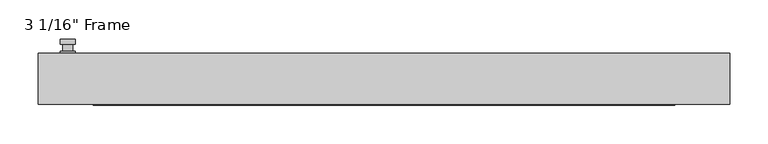
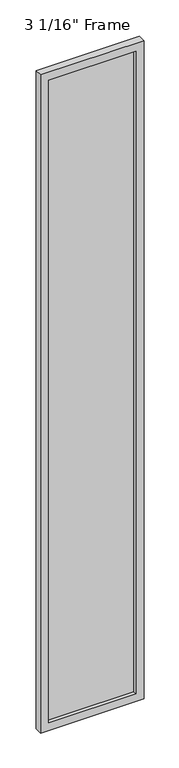
"""IFC4 building model written with IfcOpenShell, lengths in millimetres: plate geometry."""

import ifcopenshell
import ifcopenshell.guid

model = None  # the IFC model being written
_history = None  # IfcOwnerHistory: only IFC2X3 demands one
_inside = {}  # id of a spatial element -> (the spatial element, [elements in it])
_under = {}  # id of a project, library or spatial element -> (it, [spatial elements below it])
_declared = {}  # id of a project -> (the project, [libraries it declares])
_typed = {}  # id of a type object -> (the type object, [elements of that type])
_made_of = {}  # id of a material, layer set ... -> (it, [elements and type objects made of it])


def new_model(schema):
    """Start an empty IFC model of exactly this schema.

    Asked for "IFC4X3", IfcOpenShell would pick the latest addendum, in which some entities
    have other attributes; the version numbers below select the first issue.
    IFC2X3 requires an IfcOwnerHistory on every rooted entity: one is made here for all.
    """
    global model, _history
    if schema == "IFC4X3":
        model = ifcopenshell.file(schema_version=(4, 3, 0, 0))
    else:
        model = ifcopenshell.file(schema=schema)
    _inside.clear()
    _under.clear()
    _declared.clear()
    _typed.clear()
    _made_of.clear()
    _history = None
    if model.schema == "IFC2X3":
        org = make("IfcOrganization", Name="unknown")
        user = make(
            "IfcPersonAndOrganization",
            ThePerson=make("IfcPerson", FamilyName="unknown"),
            TheOrganization=org,
        )
        app = make(
            "IfcApplication",
            ApplicationDeveloper=org,
            Version="unknown",
            ApplicationFullName="unknown",
            ApplicationIdentifier="unknown",
        )
        _history = make(
            "IfcOwnerHistory",
            OwningUser=user,
            OwningApplication=app,
            ChangeAction="ADDED",
            CreationDate=0,
        )
    return model


def make(cls, **values):
    """One entity of the class cls with the attributes given. An attribute that is None is left unset."""
    return model.create_entity(
        cls, **{name: value for name, value in values.items() if value is not None}
    )


def rooted(cls, **values):
    """An entity with a GlobalId (a new one), such as an element, a storey or a relation."""
    return make(cls, GlobalId=ifcopenshell.guid.new(), OwnerHistory=_history, **values)


def si_unit(unit_type, name, prefix=None):
    """IfcSIUnit, for example si_unit("LENGTHUNIT", "METRE", prefix="MILLI")."""
    return make("IfcSIUnit", UnitType=unit_type, Prefix=prefix, Name=name)


def assignment(units):
    """IfcUnitAssignment: the units of a project."""
    return None if units is None else make("IfcUnitAssignment", Units=units)


def point(xyz):
    """IfcCartesianPoint."""
    return None if xyz is None else make("IfcCartesianPoint", Coordinates=xyz)


def direction(xyz):
    """IfcDirection."""
    return None if xyz is None else make("IfcDirection", DirectionRatios=xyz)


def frame(location, z_axis=None, x_axis=None):
    """IfcAxis2Placement3D, a coordinate frame: its origin and axes. An axis left out is left unset."""
    return make(
        "IfcAxis2Placement3D",
        Location=point(location),
        Axis=direction(z_axis),
        RefDirection=direction(x_axis),
    )


def origin():
    """The frame at (0, 0, 0) with its axes left unset."""
    return frame((0.0, 0.0, 0.0))


def place(relative_to, where):
    """IfcLocalPlacement: puts the frame where relative to a parent placement (None: the world)."""
    return make(
        "IfcLocalPlacement", PlacementRelTo=relative_to, RelativePlacement=where
    )


def context(
    kind, dimensions, precision=None, world=None, true_north=None, identifier=None
):
    """IfcGeometricRepresentationContext, for example the 3D "Model" context."""
    return make(
        "IfcGeometricRepresentationContext",
        ContextIdentifier=identifier,
        ContextType=kind,
        CoordinateSpaceDimension=dimensions,
        Precision=precision,
        WorldCoordinateSystem=world,
        TrueNorth=true_north,
    )


def project(units=None, contexts=None):
    """IfcProject with its units and contexts."""
    return rooted(
        "IfcProject",
        Name="project",
        RepresentationContexts=contexts,
        UnitsInContext=assignment(units),
    )


def spatial(cls, under=None, at=None, **own):
    """A site, building, storey or space (cls), placed at a placement, below another one or the project."""
    s = rooted(cls, ObjectPlacement=at, **own)
    if under is not None:
        _under.setdefault(under.id(), (under, []))[1].append(s)
    return s


def polyline(points):
    """IfcPolyline through the points."""
    return make("IfcPolyline", Points=[point(p) for p in points])


def circle_curve(where, radius):
    """IfcCircle in the frame where."""
    return make("IfcCircle", Position=where, Radius=radius)


def outline(outer, holes=None, kind="AREA"):
    """IfcArbitraryClosedProfileDef: a profile drawn as a closed curve; with holes, ...WithVoids."""
    if holes is None:
        return make("IfcArbitraryClosedProfileDef", ProfileType=kind, OuterCurve=outer)
    return make(
        "IfcArbitraryProfileDefWithVoids",
        ProfileType=kind,
        OuterCurve=outer,
        InnerCurves=holes,
    )


def extrude(swept, where, along, depth):
    """IfcExtrudedAreaSolid: the profile swept, set in the frame where, extruded along a direction by depth."""
    return make(
        "IfcExtrudedAreaSolid",
        SweptArea=swept,
        Position=where,
        ExtrudedDirection=direction(along),
        Depth=depth,
    )


def faces_of(points, faces, orient=None, outer=None):
    """IfcFace entities. A face is a list of loops; a loop is a list of indices into points, from 0.

    orient and outer hold one flag for each loop. By default every Orientation is true, the
    first loop of a face is its IfcFaceOuterBound and the others are IfcFaceBound.
    """
    made = []
    for i, loops in enumerate(faces):
        bounds = []
        for j, loop in enumerate(loops):
            is_outer = j == 0 if outer is None else outer[i][j]
            bounds.append(
                make(
                    "IfcFaceOuterBound" if is_outer else "IfcFaceBound",
                    Bound=make("IfcPolyLoop", Polygon=[points[k] for k in loop]),
                    Orientation=True if orient is None else orient[i][j],
                )
            )
        made.append(make("IfcFace", Bounds=bounds))
    return made


def faceted_brep(points, faces, orient=None, outer=None, voids=None):
    """IfcFacetedBrep: a solid bounded by flat faces; with voids (closed shells), ...WithVoids."""
    shared = [point(p) for p in points]
    hull = make("IfcClosedShell", CfsFaces=faces_of(shared, faces, orient, outer))
    if voids is None:
        return make("IfcFacetedBrep", Outer=hull)
    return make(
        "IfcFacetedBrepWithVoids",
        Outer=hull,
        Voids=[
            make(cls, CfsFaces=faces_of(shared, fs, o, b)) for cls, fs, o, b in voids
        ],
    )


def shape(context_of_items, identifier, shape_type, items):
    """IfcShapeRepresentation: the items that make up one representation, for example the "Body"."""
    return make(
        "IfcShapeRepresentation",
        ContextOfItems=context_of_items,
        RepresentationIdentifier=identifier,
        RepresentationType=shape_type,
        Items=items,
    )


def source(mapping_origin, context_of_items, identifier, shape_type, items):
    """IfcRepresentationMap: a shape defined once, which mapped items show again and again."""
    return make(
        "IfcRepresentationMap",
        MappingOrigin=mapping_origin,
        MappedRepresentation=shape(context_of_items, identifier, shape_type, items),
    )


def transform(
    local_origin,
    x_axis=None,
    y_axis=None,
    z_axis=None,
    scale=None,
    scale2=None,
    scale3=None,
    uniform=True,
):
    """IfcCartesianTransformationOperator3D, or its non-uniform kind. x_axis, y_axis, z_axis: its Axis1, 2, 3."""
    if uniform:
        return make(
            "IfcCartesianTransformationOperator3D",
            Axis1=direction(x_axis),
            Axis2=direction(y_axis),
            LocalOrigin=point(local_origin),
            Scale=scale,
            Axis3=direction(z_axis),
        )
    return make(
        "IfcCartesianTransformationOperator3DnonUniform",
        Axis1=direction(x_axis),
        Axis2=direction(y_axis),
        LocalOrigin=point(local_origin),
        Scale=scale,
        Axis3=direction(z_axis),
        Scale2=scale2,
        Scale3=scale3,
    )


def mapped(mapping_source, mapping_target):
    """IfcMappedItem: shows the shape of a source again, moved by a transform."""
    return make(
        "IfcMappedItem", MappingSource=mapping_source, MappingTarget=mapping_target
    )


def made_of(thing, what):
    """Note that an element or type object is made of a material, layer set ...; save() writes the relation."""
    if what is not None:
        _made_of.setdefault(what.id(), (what, []))[1].append(thing)
    return thing


def element(
    cls,
    number,
    at=None,
    inside=None,
    cuts=None,
    type_object=None,
    material=None,
    context=None,
    identifier="Body",
    shape_type=None,
    held_by="IfcProductDefinitionShape",
    body=None,
    shapes=None,
    **own,
):
    """One element of the class cls, such as IfcWall. Its Tag is "e" and its number.

    at: its placement. inside: the storey or other place that contains it. cuts: it is an
    opening in that element (IfcRelVoidsElement). A single representation is given by context,
    identifier, shape_type and body (its items); several are given by shapes. held_by: the class
    of the entity that holds the representations. save() writes the other relations.
    """
    e = rooted(cls, Tag="e%d" % number, ObjectPlacement=at, **own)
    if body is not None:
        shapes = [shape(context, identifier, shape_type, body)]
    if shapes is not None:
        e.Representation = make(held_by, Representations=shapes)
    if inside is not None:
        _inside.setdefault(inside.id(), (inside, []))[1].append(e)
    if cuts is not None:
        rooted(
            "IfcRelVoidsElement", RelatingBuildingElement=cuts, RelatedOpeningElement=e
        )
    if type_object is not None:
        _typed.setdefault(type_object.id(), (type_object, []))[1].append(e)
    return made_of(e, material)


def aggregate(whole, parts):
    """IfcRelAggregates: a whole, such as a stair, and the parts it consists of."""
    return rooted("IfcRelAggregates", RelatingObject=whole, RelatedObjects=parts)


def save(model, path):
    """Write the relations noted so far, then the file.

    IfcRelAggregates (storeys below a building ...), IfcRelContainedInSpatialStructure (elements
    in a storey), IfcRelDefinesByType, IfcRelAssociatesMaterial and IfcRelDeclares: one each for
    every whole, place, type object, material and project.
    """
    for whole, parts in _under.values():
        aggregate(whole, parts)
    for where, things in _inside.values():
        rooted(
            "IfcRelContainedInSpatialStructure",
            RelatedElements=things,
            RelatingStructure=where,
        )
    for kind, things in _typed.values():
        rooted("IfcRelDefinesByType", RelatedObjects=things, RelatingType=kind)
    for what, things in _made_of.values():
        rooted("IfcRelAssociatesMaterial", RelatedObjects=things, RelatingMaterial=what)
    for by, libraries in _declared.values():
        rooted("IfcRelDeclares", RelatingContext=by, RelatedDefinitions=libraries)
    model.write(path)


def plane_surface(at):
    """IfcPlane: the flat surface through the origin of the frame at, square to its z axis."""
    return make("IfcPlane", Position=at)


def cylinder_surface(at, radius):
    """IfcCylindricalSurface: all points at the distance radius from the z axis of the frame at."""
    return make("IfcCylindricalSurface", Position=at, Radius=radius)


def advanced_brep(points, edges, surfaces, faces):
    """IfcAdvancedBrep: a solid bounded by faces that lie on surfaces and meet in shared edges.

    An edge is (start, end): straight between two places in points (the first is 0);
    or (start, end, curve); or (start, end, curve, False) where it runs against its curve.
    A face is (place in surfaces, loops), or (place, loops, False) where it looks against
    its surface's normal. A loop lists edges by number (the first is 1), with a minus sign
    where the edge is run from its end to its start. The first loop is the outer one.
    """
    corners = [point(p) for p in points]
    vertices = [make("IfcVertexPoint", VertexGeometry=c) for c in corners]
    made = []
    for start, end, *more in edges:
        made.append(
            make(
                "IfcEdgeCurve",
                EdgeStart=vertices[start],
                EdgeEnd=vertices[end],
                EdgeGeometry=more[0] if more else make("IfcPolyline", Points=[corners[start], corners[end]]),
                SameSense=more[1] if len(more) > 1 else True,
            )
        )
    hull = []
    for where, loops, *sense in faces:
        bounds = []
        for j, loop in enumerate(loops):
            ring = [make("IfcOrientedEdge", EdgeElement=made[abs(k) - 1], Orientation=k > 0) for k in loop]
            bounds.append(
                make(
                    "IfcFaceOuterBound" if j == 0 else "IfcFaceBound",
                    Bound=make("IfcEdgeLoop", EdgeList=ring),
                    Orientation=True,
                )
            )
        hull.append(make("IfcAdvancedFace", Bounds=bounds, FaceSurface=surfaces[where], SameSense=sense[0] if sense else True))
    return make("IfcAdvancedBrep", Outer=make("IfcClosedShell", CfsFaces=hull))


def plate_c3ad7a99(model_context):
    return source(origin(), model_context, "Body", "SolidModel", [
        advanced_brep(
        [(-401.6375, 33.3375, 927.1), (-420.6875, 33.3375, 927.1), (-420.6875, 33.3375, 901.7), (-401.6375, 33.3375, 901.7), (-404.8125, 46.0375, 914.4), (-404.8125, 36.5125, 914.4), (-417.5125, 36.5125, 914.4), (-417.5125, 46.0375, 914.4), (-401.6375, 46.0375, 914.4), (-420.6875, 46.0375, 914.4), (-417.5084644, 46.0375, 825.2736467), (-404.8165356, 46.0375, 825.2736467), (-401.6375, 52.3875, 914.4), (-404.8165356, 52.3875, 825.2736467), (-417.5084644, 52.3875, 825.2736467), (-420.6875, 52.3875, 914.4), (-401.6375, 36.5125, 927.1), (-401.6375, 36.5125, 901.7), (-420.6875, 36.5125, 901.7), (-420.6875, 36.5125, 927.1)],
        [
            (0, 1, circle_curve(frame((-411.1625, 33.3375, 927.1), z_axis=(0.0, -1.0, 0.0), x_axis=(-1.0, 0.0, 0.0)), 9.525)),
            (1, 2),
            (2, 3, circle_curve(frame((-411.1625, 33.3375, 901.7), z_axis=(0.0, -1.0, 0.0), x_axis=(-1.0, 0.0, 0.0)), 9.525)),
            (3, 0),
            (4, 5),
            (5, 6, circle_curve(frame((-411.1625, 36.5125, 914.4), z_axis=(0.0, 1.0, 0.0), x_axis=(-1.0, 0.0, 0.0)), 6.35)),
            (6, 7),
            (7, 4, circle_curve(frame((-411.1625, 46.0375, 914.4), z_axis=(0.0, -1.0, 0.0), x_axis=(-1.0, 0.0, 0.0)), 6.35)),
            (6, 5, circle_curve(frame((-411.1625, 36.5125, 914.4), z_axis=(0.0, 1.0, 0.0), x_axis=(-1.0, 0.0, 0.0)), 6.35)),
            (4, 7, circle_curve(frame((-411.1625, 46.0375, 914.4), z_axis=(0.0, -1.0, 0.0), x_axis=(-1.0, 0.0, 0.0)), 6.35)),
            (8, 9, circle_curve(frame((-411.1625, 46.0375, 914.4), z_axis=(0.0, -1.0, 0.0), x_axis=(-1.0, 0.0, 0.0)), 9.525)),
            (9, 10),
            (10, 11, circle_curve(frame((-411.1625, 46.0375, 825.5), z_axis=(0.0, -1.0, 0.0), x_axis=(-1.0, 0.0, 0.0)), 6.35)),
            (11, 8),
            (12, 13),
            (13, 14, circle_curve(frame((-411.1625, 52.3875, 825.5), z_axis=(0.0, 1.0, 0.0), x_axis=(-1.0, 0.0, 0.0)), 6.35)),
            (14, 15),
            (15, 12, circle_curve(frame((-411.1625, 52.3875, 914.4), z_axis=(0.0, 1.0, 0.0), x_axis=(-1.0, 0.0, 0.0)), 9.525)),
            (11, 13),
            (12, 8),
            (10, 14),
            (9, 15),
            (16, 17),
            (17, 18, circle_curve(frame((-411.1625, 36.5125, 901.7), z_axis=(0.0, 1.0, 0.0), x_axis=(-1.0, 0.0, 0.0)), 9.525)),
            (18, 19),
            (19, 16, circle_curve(frame((-411.1625, 36.5125, 927.1), z_axis=(0.0, 1.0, 0.0), x_axis=(-1.0, 0.0, 0.0)), 9.525)),
            (3, 17),
            (16, 0),
            (2, 18),
            (1, 19),
        ],
        [
            plane_surface(frame((-417.5125, 33.3375, 914.4), z_axis=(0.0, -1.0, 0.0), x_axis=(0.0, 0.0, 1.0))),
            cylinder_surface(frame((-411.1625, 46.0375, 914.4), z_axis=(0.0, -1.0, 0.0), x_axis=(-1.0, 0.0, 0.0)), 6.35),
            plane_surface(frame((-401.6375, 46.0375, 914.4), z_axis=(0.0, -1.0000000000000002, 0.0), x_axis=(-0.03564619348186888, 0.0, -0.9993644724975235))),
            plane_surface(frame((-401.6375, 52.3875, 914.4), z_axis=(0.0, 1.0000000000000002, 0.0), x_axis=(0.03564619348186888, 0.0, 0.9993644724975235))),
            plane_surface(frame((-401.6375, 46.0375, 914.4), z_axis=(0.9993644724975235, 0.0, -0.03564619348186888), x_axis=(0.0, 1.0, 0.0))),
            cylinder_surface(frame((-411.1625, 52.3875, 825.5), z_axis=(0.0, -1.0, 0.0), x_axis=(-1.0, 0.0, 0.0)), 6.35),
            plane_surface(frame((-417.5084644, 46.0375, 825.2736467), z_axis=(-0.9993644724975228, 0.0, -0.03564619348188612), x_axis=(0.0, 1.0, 0.0))),
            cylinder_surface(frame((-411.1625, 52.3875, 914.4), z_axis=(0.0, -1.0, 0.0), x_axis=(-1.0, 0.0, 0.0)), 9.525),
            plane_surface(frame((-401.6375, 36.5125, 901.7), z_axis=(0.0, 1.0, 0.0), x_axis=(0.0, 0.0, 1.0))),
            plane_surface(frame((-401.6375, 33.3375, 927.1), z_axis=(1.0, 0.0, 0.0), x_axis=(0.0, 1.0, 0.0))),
            cylinder_surface(frame((-411.1625, 36.5125, 901.7), z_axis=(0.0, -1.0, 0.0), x_axis=(-1.0, 0.0, 0.0)), 9.525),
            plane_surface(frame((-420.6875, 33.3375, 901.7), z_axis=(-1.0, 0.0, 0.0), x_axis=(0.0, 1.0, 0.0))),
            cylinder_surface(frame((-411.1625, 36.5125, 927.1), z_axis=(0.0, -1.0, 0.0), x_axis=(-1.0, 0.0, 0.0)), 9.525),
        ],
        [
            (0, [[1, 2, 3, 4]]),
            (1, [[5, 6, 7, 8]]),
            (1, [[-7, 9, -5, 10]]),
            (2, [[11, 12, 13, 14], [-10, -8]]),
            (3, [[15, 16, 17, 18]]),
            (4, [[19, -15, 20, -14]]),
            (5, [[21, -16, -19, -13]]),
            (6, [[22, -17, -21, -12]]),
            (7, [[-20, -18, -22, -11]]),
            (8, [[23, 24, 25, 26], [-9, -6]]),
            (9, [[27, -23, 28, -4]]),
            (10, [[29, -24, -27, -3]]),
            (11, [[30, -25, -29, -2]]),
            (12, [[-28, -26, -30, -1]]),
        ],
    ),
        faceted_brep([(-449.2625, 33.3375, 0.0), (449.2625, 33.3375, 0.0), (449.2625, -33.3375, 0.0), (-449.2625, -33.3375, 0.0), (-449.2625, 33.3375, 6026.15), (449.2625, 33.3375, 6026.15), (-377.825, 33.3375, 5954.7125), (-377.825, 33.3375, 71.4375), (377.825, 33.3375, 71.4375), (377.825, 33.3375, 5954.7125), (-449.2625, -33.3375, 6026.15), (449.2625, -33.3375, 6026.15), (-377.825, -33.3375, 5954.7125), (377.825, -33.3375, 5954.7125), (377.825, -33.3375, 71.4375), (-377.825, -33.3375, 71.4375), (-371.475, -11.90625, 77.7875), (-371.475, -11.90625, 5948.3625), (384.175, -11.90625, 5961.0625), (384.175, -11.90625, 65.0875), (-384.175, -11.90625, 65.0875), (-384.175, -11.90625, 5961.0625), (371.475, -11.90625, 77.7875), (371.475, -11.90625, 5948.3625), (-384.175, 11.90625, 65.0875), (-384.175, 11.90625, 5961.0625), (384.175, 11.90625, 65.0875), (384.175, 11.90625, 5961.0625), (-371.475, 11.90625, 5948.3625), (371.475, 11.90625, 5948.3625), (371.475, 11.90625, 77.7875), (-371.475, 11.90625, 77.7875)], [[[0, 1, 2, 3]], [[0, 4, 5, 1], [6, 7, 8, 9]], [[3, 10, 4, 0]], [[2, 11, 10, 3], [12, 13, 14, 15]], [[12, 15, 16, 17]], [[18, 19, 20, 21], [17, 16, 22, 23]], [[20, 24, 25, 21]], [[25, 24, 26, 27], [28, 29, 30, 31]], [[28, 31, 7, 6]], [[4, 10, 11, 5]], [[12, 17, 23, 13]], [[21, 25, 27, 18]], [[9, 29, 28, 6]], [[5, 11, 2, 1]], [[23, 22, 14, 13]], [[26, 19, 18, 27]], [[9, 8, 30, 29]], [[7, 31, 30, 8]], [[19, 26, 24, 20]], [[16, 15, 14, 22]]]),
        extrude(outline(polyline([(384.175, 11.90625), (384.175, -11.90625), (-384.175, -11.90625), (-384.175, 11.90625), (384.175, 11.90625)])), frame((0.0, 0.0, 65.0875), z_axis=(0.0, 0.0, 1.0), x_axis=(1.0, 0.0, 0.0)), (0.0, 0.0, 1.0), 5895.975),
    ])


if __name__ == "__main__":
    model = new_model("IFC4")
    model_context = context("Model", 3, world=origin())
    ifc_project = project(units=[si_unit("LENGTHUNIT", "METRE", prefix="MILLI")], contexts=[model_context])
    site = spatial("IfcSite", under=ifc_project)
    building = spatial("IfcBuilding", under=site)
    placement = place(None, origin())
    plate_shape = plate_c3ad7a99(model_context)
    element("IfcPlate", 1, ObjectType="3 1/16\" Frame", at=placement, inside=building, context=model_context, shape_type="MappedRepresentation", body=[
        mapped(plate_shape, transform((0.0, 0.0, 0.0), x_axis=(1.0, 0.0, 0.0), y_axis=(0.0, 1.0, 0.0), z_axis=(0.0, 0.0, 1.0))),
    ])
    save(model, "model.ifc")
